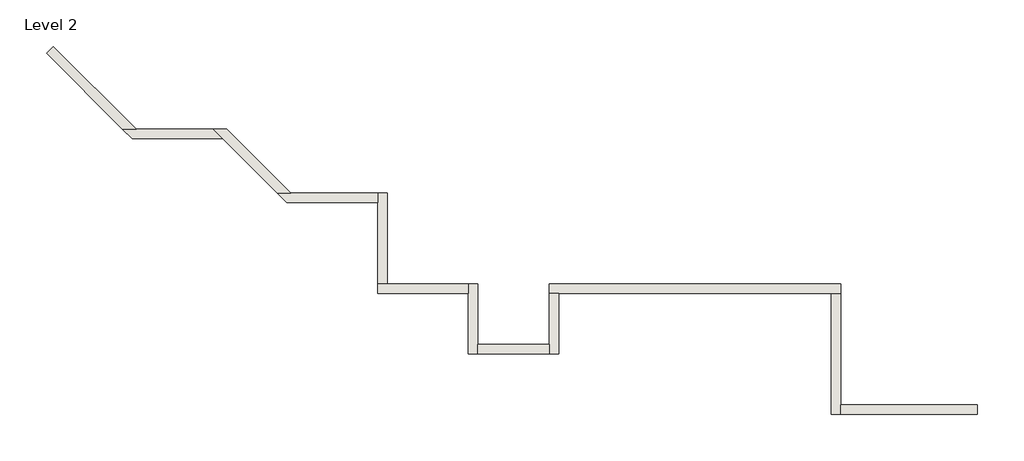
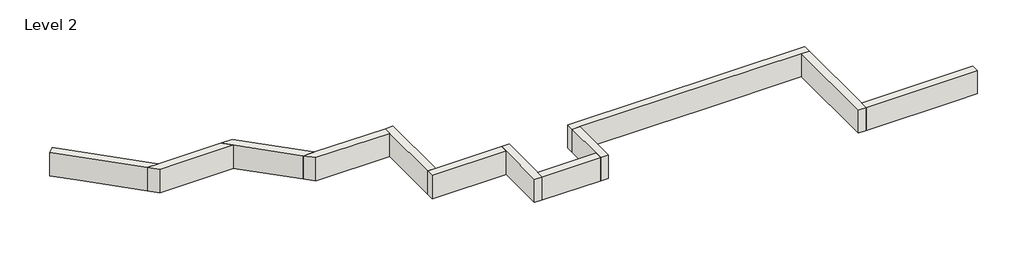
# One storey: 12 walls.
"""IFC4 building model written with IfcOpenShell, lengths in millimetres."""

import ifcopenshell
import ifcopenshell.guid

model = None  # the IFC model being written
_history = None  # IfcOwnerHistory: only IFC2X3 demands one
_inside = {}  # id of a spatial element -> (the spatial element, [elements in it])
_under = {}  # id of a project, library or spatial element -> (it, [spatial elements below it])
_declared = {}  # id of a project -> (the project, [libraries it declares])
_typed = {}  # id of a type object -> (the type object, [elements of that type])
_made_of = {}  # id of a material, layer set ... -> (it, [elements and type objects made of it])


def new_model(schema):
    """Start an empty IFC model of exactly this schema.

    Asked for "IFC4X3", IfcOpenShell would pick the latest addendum, in which some entities
    have other attributes; the version numbers below select the first issue.
    IFC2X3 requires an IfcOwnerHistory on every rooted entity: one is made here for all.
    """
    global model, _history
    if schema == "IFC4X3":
        model = ifcopenshell.file(schema_version=(4, 3, 0, 0))
    else:
        model = ifcopenshell.file(schema=schema)
    _inside.clear()
    _under.clear()
    _declared.clear()
    _typed.clear()
    _made_of.clear()
    _history = None
    if model.schema == "IFC2X3":
        org = make("IfcOrganization", Name="unknown")
        user = make(
            "IfcPersonAndOrganization",
            ThePerson=make("IfcPerson", FamilyName="unknown"),
            TheOrganization=org,
        )
        app = make(
            "IfcApplication",
            ApplicationDeveloper=org,
            Version="unknown",
            ApplicationFullName="unknown",
            ApplicationIdentifier="unknown",
        )
        _history = make(
            "IfcOwnerHistory",
            OwningUser=user,
            OwningApplication=app,
            ChangeAction="ADDED",
            CreationDate=0,
        )
    return model


def make(cls, **values):
    """One entity of the class cls with the attributes given. An attribute that is None is left unset."""
    return model.create_entity(
        cls, **{name: value for name, value in values.items() if value is not None}
    )


def rooted(cls, **values):
    """An entity with a GlobalId (a new one), such as an element, a storey or a relation."""
    return make(cls, GlobalId=ifcopenshell.guid.new(), OwnerHistory=_history, **values)


def si_unit(unit_type, name, prefix=None):
    """IfcSIUnit, for example si_unit("LENGTHUNIT", "METRE", prefix="MILLI")."""
    return make("IfcSIUnit", UnitType=unit_type, Prefix=prefix, Name=name)


def assignment(units):
    """IfcUnitAssignment: the units of a project."""
    return None if units is None else make("IfcUnitAssignment", Units=units)


def point(xyz):
    """IfcCartesianPoint."""
    return None if xyz is None else make("IfcCartesianPoint", Coordinates=xyz)


def direction(xyz):
    """IfcDirection."""
    return None if xyz is None else make("IfcDirection", DirectionRatios=xyz)


def frame(location, z_axis=None, x_axis=None):
    """IfcAxis2Placement3D, a coordinate frame: its origin and axes. An axis left out is left unset."""
    return make(
        "IfcAxis2Placement3D",
        Location=point(location),
        Axis=direction(z_axis),
        RefDirection=direction(x_axis),
    )


def origin():
    """The frame at (0, 0, 0) with its axes left unset."""
    return frame((0.0, 0.0, 0.0))


def place(relative_to, where):
    """IfcLocalPlacement: puts the frame where relative to a parent placement (None: the world)."""
    return make(
        "IfcLocalPlacement", PlacementRelTo=relative_to, RelativePlacement=where
    )


def context(
    kind, dimensions, precision=None, world=None, true_north=None, identifier=None
):
    """IfcGeometricRepresentationContext, for example the 3D "Model" context."""
    return make(
        "IfcGeometricRepresentationContext",
        ContextIdentifier=identifier,
        ContextType=kind,
        CoordinateSpaceDimension=dimensions,
        Precision=precision,
        WorldCoordinateSystem=world,
        TrueNorth=true_north,
    )


def project(units=None, contexts=None):
    """IfcProject with its units and contexts."""
    return rooted(
        "IfcProject",
        Name="project",
        RepresentationContexts=contexts,
        UnitsInContext=assignment(units),
    )


def spatial(cls, under=None, at=None, **own):
    """A site, building, storey or space (cls), placed at a placement, below another one or the project."""
    s = rooted(cls, ObjectPlacement=at, **own)
    if under is not None:
        _under.setdefault(under.id(), (under, []))[1].append(s)
    return s


def polyline(points):
    """IfcPolyline through the points."""
    return make("IfcPolyline", Points=[point(p) for p in points])


def outline(outer, holes=None, kind="AREA"):
    """IfcArbitraryClosedProfileDef: a profile drawn as a closed curve; with holes, ...WithVoids."""
    if holes is None:
        return make("IfcArbitraryClosedProfileDef", ProfileType=kind, OuterCurve=outer)
    return make(
        "IfcArbitraryProfileDefWithVoids",
        ProfileType=kind,
        OuterCurve=outer,
        InnerCurves=holes,
    )


def extrude(swept, where, along, depth):
    """IfcExtrudedAreaSolid: the profile swept, set in the frame where, extruded along a direction by depth."""
    return make(
        "IfcExtrudedAreaSolid",
        SweptArea=swept,
        Position=where,
        ExtrudedDirection=direction(along),
        Depth=depth,
    )


def faces_of(points, faces, orient=None, outer=None):
    """IfcFace entities. A face is a list of loops; a loop is a list of indices into points, from 0.

    orient and outer hold one flag for each loop. By default every Orientation is true, the
    first loop of a face is its IfcFaceOuterBound and the others are IfcFaceBound.
    """
    made = []
    for i, loops in enumerate(faces):
        bounds = []
        for j, loop in enumerate(loops):
            is_outer = j == 0 if outer is None else outer[i][j]
            bounds.append(
                make(
                    "IfcFaceOuterBound" if is_outer else "IfcFaceBound",
                    Bound=make("IfcPolyLoop", Polygon=[points[k] for k in loop]),
                    Orientation=True if orient is None else orient[i][j],
                )
            )
        made.append(make("IfcFace", Bounds=bounds))
    return made


def faceted_brep(points, faces, orient=None, outer=None, voids=None):
    """IfcFacetedBrep: a solid bounded by flat faces; with voids (closed shells), ...WithVoids."""
    shared = [point(p) for p in points]
    hull = make("IfcClosedShell", CfsFaces=faces_of(shared, faces, orient, outer))
    if voids is None:
        return make("IfcFacetedBrep", Outer=hull)
    return make(
        "IfcFacetedBrepWithVoids",
        Outer=hull,
        Voids=[
            make(cls, CfsFaces=faces_of(shared, fs, o, b)) for cls, fs, o, b in voids
        ],
    )


def shape(context_of_items, identifier, shape_type, items):
    """IfcShapeRepresentation: the items that make up one representation, for example the "Body"."""
    return make(
        "IfcShapeRepresentation",
        ContextOfItems=context_of_items,
        RepresentationIdentifier=identifier,
        RepresentationType=shape_type,
        Items=items,
    )


def made_of(thing, what):
    """Note that an element or type object is made of a material, layer set ...; save() writes the relation."""
    if what is not None:
        _made_of.setdefault(what.id(), (what, []))[1].append(thing)
    return thing


def element(
    cls,
    number,
    at=None,
    inside=None,
    cuts=None,
    type_object=None,
    material=None,
    context=None,
    identifier="Body",
    shape_type=None,
    held_by="IfcProductDefinitionShape",
    body=None,
    shapes=None,
    **own,
):
    """One element of the class cls, such as IfcWall. Its Tag is "e" and its number.

    at: its placement. inside: the storey or other place that contains it. cuts: it is an
    opening in that element (IfcRelVoidsElement). A single representation is given by context,
    identifier, shape_type and body (its items); several are given by shapes. held_by: the class
    of the entity that holds the representations. save() writes the other relations.
    """
    e = rooted(cls, Tag="e%d" % number, ObjectPlacement=at, **own)
    if body is not None:
        shapes = [shape(context, identifier, shape_type, body)]
    if shapes is not None:
        e.Representation = make(held_by, Representations=shapes)
    if inside is not None:
        _inside.setdefault(inside.id(), (inside, []))[1].append(e)
    if cuts is not None:
        rooted(
            "IfcRelVoidsElement", RelatingBuildingElement=cuts, RelatedOpeningElement=e
        )
    if type_object is not None:
        _typed.setdefault(type_object.id(), (type_object, []))[1].append(e)
    return made_of(e, material)


def aggregate(whole, parts):
    """IfcRelAggregates: a whole, such as a stair, and the parts it consists of."""
    return rooted("IfcRelAggregates", RelatingObject=whole, RelatedObjects=parts)


def save(model, path):
    """Write the relations noted so far, then the file.

    IfcRelAggregates (storeys below a building ...), IfcRelContainedInSpatialStructure (elements
    in a storey), IfcRelDefinesByType, IfcRelAssociatesMaterial and IfcRelDeclares: one each for
    every whole, place, type object, material and project.
    """
    for whole, parts in _under.values():
        aggregate(whole, parts)
    for where, things in _inside.values():
        rooted(
            "IfcRelContainedInSpatialStructure",
            RelatedElements=things,
            RelatingStructure=where,
        )
    for kind, things in _typed.values():
        rooted("IfcRelDefinesByType", RelatedObjects=things, RelatingType=kind)
    for what, things in _made_of.values():
        rooted("IfcRelAssociatesMaterial", RelatedObjects=things, RelatingMaterial=what)
    for by, libraries in _declared.values():
        rooted("IfcRelDeclares", RelatingContext=by, RelatedDefinitions=libraries)
    model.write(path)


model = new_model("IFC4")

# Units and contexts
model_context = context("Model", 3, world=origin())
ifc_project = project(units=[si_unit("LENGTHUNIT", "METRE", prefix="MILLI")], contexts=[model_context])

# Site, building, storey
site = spatial("IfcSite", under=ifc_project)
building = spatial("IfcBuilding", under=site)
storey = spatial("IfcBuildingStorey", under=building, Name="Level 2", Elevation=3048.0)

# Walls
placement = place(None, origin())
element("IfcWall", 1, ObjectType="Generic - 8\" Brick", at=placement, inside=storey, context=model_context, shape_type="Brep", body=[
    faceted_brep([(7508.832857, 1412.8726187, 3048.0), (4876.757857, 1412.8726187, 3048.0), (3657.557857, 1412.8726187, 3048.0), (1635.0852383, 1412.8726187, 3048.0), (1635.0852383, 1412.8726187, 3657.6), (7508.832857, 1412.8726187, 3657.6), (7508.832857, 1219.1976187, 3048.0), (7508.832857, 1219.1976187, 3657.6), (7315.157857, 1219.1976187, 3657.6), (1828.7602383, 1219.1976187, 3657.6), (1635.0852383, 1219.1976187, 3657.6), (1635.0852383, 1219.1976187, 3048.0), (1828.7602383, 1219.1976187, 3048.0), (3657.557857, 1219.1976187, 3048.0), (4876.757857, 1219.1976187, 3048.0), (7315.157857, 1219.1976187, 3048.0)], [[[0, 1, 2, 3, 4, 5]], [[6, 7, 8, 9, 10, 11, 12, 13, 14, 15]], [[3, 2, 1, 0, 6, 15, 14, 13, 12, 11]], [[5, 4, 10, 9, 8, 7]], [[4, 3, 11, 10]], [[0, 5, 7, 6]]]),
])
element("IfcWall", 2, ObjectType="Generic - 8\" Brick", at=placement, inside=storey, context=model_context, shape_type="Brep", body=[
    faceted_brep([(1635.0852383, 1219.1976187, 3048.0), (1635.0852383, 193.675, 3048.0), (1635.0852383, 0.0, 3048.0), (1635.0852383, 0.0, 3657.6), (1635.0852383, 193.675, 3657.6), (1635.0852383, 1219.1976187, 3657.6), (1828.7602383, 1219.1976187, 3048.0), (1828.7602383, 1219.1976187, 3657.6), (1828.7602383, 0.0, 3657.6), (1828.7602383, 0.0, 3048.0)], [[[0, 1, 2, 3, 4, 5]], [[6, 7, 8, 9]], [[2, 1, 0, 6, 9]], [[5, 4, 3, 8, 7]], [[0, 5, 7, 6]], [[3, 2, 9, 8]]]),
])
element("IfcWall", 3, ObjectType="Generic - 8\" Brick", at=placement, inside=storey, context=model_context, shape_type="SweptSolid", body=[
    extrude(outline(polyline([(193.632857, 193.675), (1635.0852383, 193.675), (1635.0852383, 0.0), (193.632857, 0.0), (193.632857, 193.675)])), frame((0.0, 0.0, 3048.0), z_axis=(0.0, 0.0, 1.0), x_axis=(1.0, 0.0, 0.0)), (0.0, 0.0, 1.0), 609.6),
])
element("IfcWall", 4, ObjectType="Generic - 8\" Brick", at=placement, inside=storey, context=model_context, shape_type="Brep", body=[
    faceted_brep([(193.632857, 0.0, 3048.0), (193.632857, 193.675, 3048.0), (193.632857, 1412.8726187, 3048.0), (193.632857, 1412.8726187, 3657.6), (193.632857, 193.675, 3657.6), (193.632857, 0.0, 3657.6), (-0.042143, 0.0, 3048.0), (-0.042143, 0.0, 3657.6), (-0.042143, 1219.1976187, 3657.6), (-0.042143, 1412.8726187, 3657.6), (-0.042143, 1412.8726187, 3048.0), (-0.042143, 1219.1976187, 3048.0)], [[[0, 1, 2, 3, 4, 5]], [[6, 7, 8, 9, 10, 11]], [[2, 1, 0, 6, 11, 10]], [[5, 4, 3, 9, 8, 7]], [[0, 5, 7, 6]], [[3, 2, 10, 9]]]),
])
element("IfcWall", 5, ObjectType="Generic - 8\" Brick", at=placement, inside=storey, context=model_context, shape_type="Brep", body=[
    faceted_brep([(-0.042143, 1412.8726187, 3048.0), (-1635.135393, 1412.8726187, 3048.0), (-1828.810393, 1412.8726187, 3048.0), (-1828.810393, 1412.8726187, 3657.6), (-1635.135393, 1412.8726187, 3657.6), (-0.042143, 1412.8726187, 3657.6), (-0.042143, 1219.1976187, 3048.0), (-0.042143, 1219.1976187, 3657.6), (-1828.810393, 1219.1976187, 3657.6), (-1828.810393, 1219.1976187, 3048.0)], [[[0, 1, 2, 3, 4, 5]], [[6, 7, 8, 9]], [[2, 1, 0, 6, 9]], [[5, 4, 3, 8, 7]], [[0, 5, 7, 6]], [[3, 2, 9, 8]]]),
])
element("IfcWall", 6, ObjectType="Generic - 8\" Brick", at=placement, inside=storey, context=model_context, shape_type="Brep", body=[
    faceted_brep([(-1635.135393, 1412.8726187, 3048.0), (-1635.135393, 3241.6590504, 3048.0), (-1635.135393, 3241.6590504, 3657.6), (-1635.135393, 1412.8726187, 3657.6), (-1828.810393, 1412.8726187, 3048.0), (-1828.810393, 1412.8726187, 3657.6), (-1828.810393, 3047.9840504, 3657.6), (-1828.810393, 3241.6590504, 3657.6), (-1828.810393, 3241.6590504, 3048.0), (-1828.810393, 3047.9840504, 3048.0)], [[[0, 1, 2, 3]], [[4, 5, 6, 7, 8, 9]], [[1, 0, 4, 9, 8]], [[3, 2, 7, 6, 5]], [[0, 3, 5, 4]], [[2, 1, 8, 7]]]),
])
element("IfcWall", 7, ObjectType="Generic - 8\" Brick", at=placement, inside=storey, context=model_context, shape_type="Brep", body=[
    faceted_brep([(7508.832857, -1219.1571375, 3048.0), (7508.832857, -1025.4821375, 3048.0), (7508.832857, 1219.1976187, 3048.0), (7508.832857, 1219.1976187, 3657.6), (7508.832857, -1025.4821375, 3657.6), (7508.832857, -1219.1571375, 3657.6), (7315.157857, -1219.1571375, 3048.0), (7315.157857, -1219.1571375, 3657.6), (7315.157857, 1219.1976187, 3657.6), (7315.157857, 1219.1976187, 3048.0)], [[[0, 1, 2, 3, 4, 5]], [[6, 7, 8, 9]], [[2, 1, 0, 6, 9]], [[5, 4, 3, 8, 7]], [[3, 2, 9, 8]], [[0, 5, 7, 6]]]),
])
element("IfcWall", 8, ObjectType="Generic - 8\" Brick", at=placement, inside=storey, context=model_context, shape_type="Brep", body=[
    faceted_brep([(-1828.810393, 3241.6590504, 3048.0), (-3577.3749143, 3241.6590504, 3048.0), (-3851.272726, 3241.6590504, 3048.0), (-3851.272726, 3241.6590504, 3657.6), (-3577.3749143, 3241.6590504, 3657.6), (-1828.810393, 3241.6590504, 3657.6), (-1828.810393, 3047.9840504, 3048.0), (-1828.810393, 3047.9840504, 3657.6), (-3657.597726, 3047.9840504, 3657.6), (-3657.597726, 3047.9840504, 3048.0)], [[[0, 1, 2, 3, 4, 5]], [[6, 7, 8, 9]], [[2, 1, 0, 6, 9]], [[5, 4, 3, 8, 7]], [[0, 5, 7, 6]], [[3, 2, 9, 8]]]),
])
element("IfcWall", 9, ObjectType="Generic - 8\" Brick", at=placement, inside=storey, context=model_context, shape_type="Brep", body=[
    faceted_brep([(-3577.3749143, 3241.6590504, 3048.0), (-4870.4863099, 4534.7704459, 3048.0), (-4870.4863099, 4534.7704459, 3657.6), (-3577.3749143, 3241.6590504, 3657.6), (-3851.272726, 3241.6590504, 3048.0), (-3851.272726, 3241.6590504, 3657.6), (-4950.7091215, 4341.0954459, 3657.6), (-5144.3841215, 4534.7704459, 3657.6), (-5144.3841215, 4534.7704459, 3048.0), (-4950.7091215, 4341.0954459, 3048.0)], [[[0, 1, 2, 3]], [[4, 5, 6, 7, 8, 9]], [[1, 0, 4, 9, 8]], [[3, 2, 7, 6, 5]], [[0, 3, 5, 4]], [[2, 1, 8, 7]]]),
])
element("IfcWall", 10, ObjectType="Generic - 8\" Brick", at=placement, inside=storey, context=model_context, shape_type="Brep", body=[
    faceted_brep([(10266.3227383, -1025.4821375, 3048.0), (9753.5602383, -1025.4821375, 3048.0), (7508.832857, -1025.4821375, 3048.0), (7508.832857, -1025.4821375, 3657.6), (10266.3227383, -1025.4821375, 3657.6), (10266.3227383, -1219.1571375, 3048.0), (10266.3227383, -1219.1571375, 3657.6), (7508.832857, -1219.1571375, 3657.6), (7508.832857, -1219.1571375, 3048.0), (9753.5602383, -1219.1571375, 3048.0)], [[[0, 1, 2, 3, 4]], [[5, 6, 7, 8, 9]], [[2, 1, 0, 5, 9, 8]], [[4, 3, 7, 6]], [[0, 4, 6, 5]], [[3, 2, 8, 7]]]),
])
element("IfcWall", 11, ObjectType="Generic - 8\" Brick", at=placement, inside=storey, context=model_context, shape_type="Brep", body=[
    faceted_brep([(-5144.3841215, 4534.7704459, 3048.0), (-6699.2998036, 4534.7704459, 3048.0), (-6973.1976153, 4534.7704459, 3048.0), (-6973.1976153, 4534.7704459, 3657.6), (-6699.2998036, 4534.7704459, 3657.6), (-5144.3841215, 4534.7704459, 3657.6), (-4950.7091215, 4341.0954459, 3048.0), (-4950.7091215, 4341.0954459, 3657.6), (-6779.5226153, 4341.0954459, 3657.6), (-6779.5226153, 4341.0954459, 3048.0)], [[[0, 1, 2, 3, 4, 5]], [[6, 7, 8, 9]], [[2, 1, 0, 6, 9]], [[5, 4, 3, 8, 7]], [[3, 2, 9, 8]], [[0, 5, 7, 6]]]),
])
element("IfcWall", 12, ObjectType="Generic - 8\" Brick", at=placement, inside=storey, context=model_context, shape_type="Brep", body=[
    faceted_brep([(-6699.2998036, 4534.7704459, 3048.0), (-7935.6985987, 5771.169241, 3048.0), (-8366.7508925, 6202.2215348, 3048.0), (-8366.7508925, 6202.2215348, 3657.6), (-6699.2998036, 4534.7704459, 3657.6), (-6973.1976153, 4534.7704459, 3048.0), (-6973.1976153, 4534.7704459, 3657.6), (-8503.6997984, 6065.272629, 3657.6), (-8503.6997984, 6065.272629, 3048.0), (-8072.6475046, 5634.2203352, 3048.0)], [[[0, 1, 2, 3, 4]], [[5, 6, 7, 8, 9]], [[2, 1, 0, 5, 9, 8]], [[3, 2, 8, 7]], [[4, 3, 7, 6]], [[0, 4, 6, 5]]]),
])

save(model, "model.ifc")
